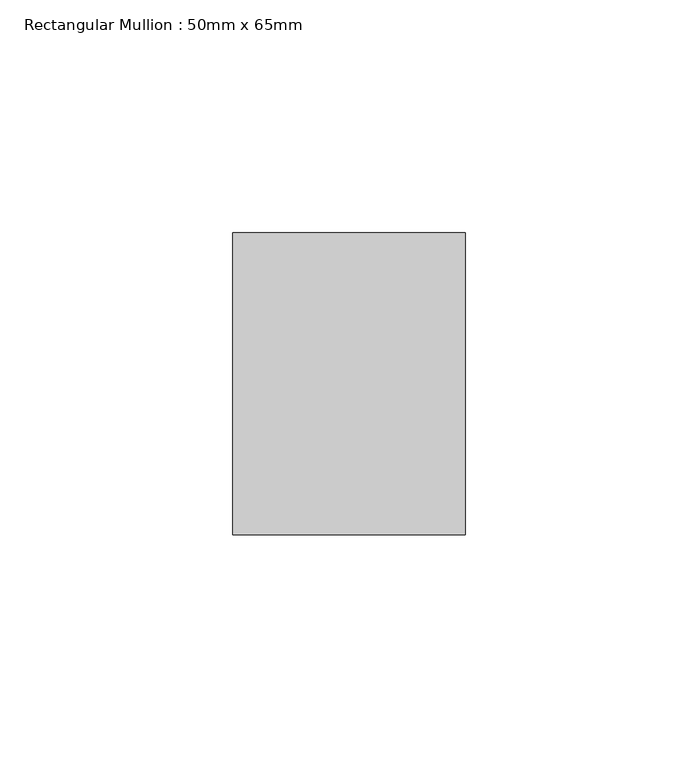
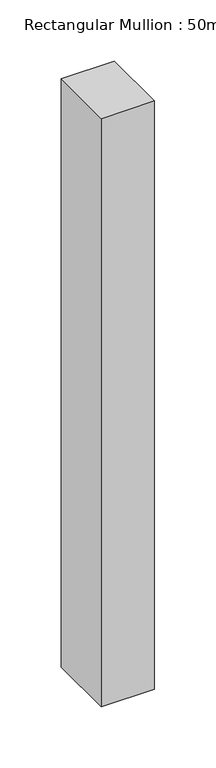
"""IFC4 building model written with IfcOpenShell, lengths in millimetres: member geometry, Rectangular Mullion : 50mm x 65mm."""

from ifc_helpers import new_model, si_unit, frame, origin, place, context, project, spatial, polyline, outline, extrude, source, transform, mapped, element, save


def rectangular_mullion_50mm_x_65mm_41801c45(model_context):
    return source(origin(), model_context, "Body", "SweptSolid", [
        extrude(outline(polyline([(25.0, 32.5), (25.0, -32.5), (-25.0, -32.5), (-25.0, 32.5), (25.0, 32.5)])), frame((0.0, 0.0, -585.2036377), z_axis=(0.0, 0.0, 1.0), x_axis=(1.0, 0.0, 0.0)), (0.0, 0.0, 1.0), 585.2036377),
    ])


if __name__ == "__main__":
    model = new_model("IFC4")
    model_context = context("Model", 3, world=origin())
    ifc_project = project(units=[si_unit("LENGTHUNIT", "METRE", prefix="MILLI")], contexts=[model_context])
    site = spatial("IfcSite", under=ifc_project)
    building = spatial("IfcBuilding", under=site)
    placement = place(None, origin())
    rectangular_mullion_50mm_x_65mm_shape = rectangular_mullion_50mm_x_65mm_41801c45(model_context)
    element("IfcMember", 1, ObjectType="Rectangular Mullion : 50mm x 65mm", at=placement, inside=building, context=model_context, shape_type="MappedRepresentation", body=[
        mapped(rectangular_mullion_50mm_x_65mm_shape, transform((0.0, 0.0, 0.0), x_axis=(1.0, 0.0, 0.0), y_axis=(0.0, 1.0, 0.0), z_axis=(0.0, 0.0, 1.0))),
    ])
    save(model, "model.ifc")
